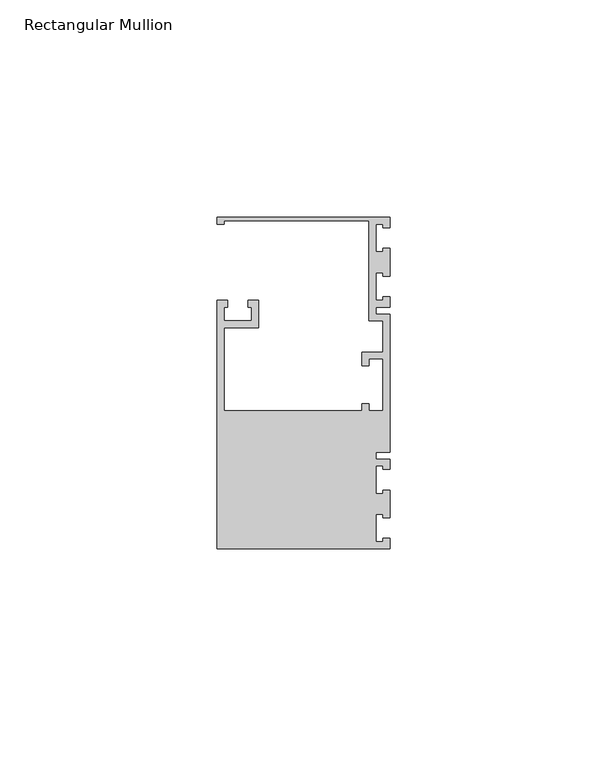
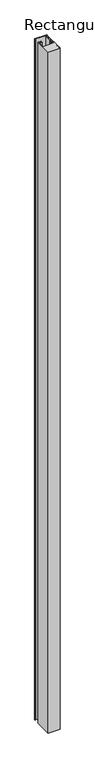
"""IFC4 building model written with IfcOpenShell, lengths in millimetres: member geometry, Rectangular Mullion."""

import ifcopenshell
import ifcopenshell.guid

model = None  # the IFC model being written
_history = None  # IfcOwnerHistory: only IFC2X3 demands one
_inside = {}  # id of a spatial element -> (the spatial element, [elements in it])
_under = {}  # id of a project, library or spatial element -> (it, [spatial elements below it])
_declared = {}  # id of a project -> (the project, [libraries it declares])
_typed = {}  # id of a type object -> (the type object, [elements of that type])
_made_of = {}  # id of a material, layer set ... -> (it, [elements and type objects made of it])


def new_model(schema):
    """Start an empty IFC model of exactly this schema.

    Asked for "IFC4X3", IfcOpenShell would pick the latest addendum, in which some entities
    have other attributes; the version numbers below select the first issue.
    IFC2X3 requires an IfcOwnerHistory on every rooted entity: one is made here for all.
    """
    global model, _history
    if schema == "IFC4X3":
        model = ifcopenshell.file(schema_version=(4, 3, 0, 0))
    else:
        model = ifcopenshell.file(schema=schema)
    _inside.clear()
    _under.clear()
    _declared.clear()
    _typed.clear()
    _made_of.clear()
    _history = None
    if model.schema == "IFC2X3":
        org = make("IfcOrganization", Name="unknown")
        user = make(
            "IfcPersonAndOrganization",
            ThePerson=make("IfcPerson", FamilyName="unknown"),
            TheOrganization=org,
        )
        app = make(
            "IfcApplication",
            ApplicationDeveloper=org,
            Version="unknown",
            ApplicationFullName="unknown",
            ApplicationIdentifier="unknown",
        )
        _history = make(
            "IfcOwnerHistory",
            OwningUser=user,
            OwningApplication=app,
            ChangeAction="ADDED",
            CreationDate=0,
        )
    return model


def make(cls, **values):
    """One entity of the class cls with the attributes given. An attribute that is None is left unset."""
    return model.create_entity(
        cls, **{name: value for name, value in values.items() if value is not None}
    )


def rooted(cls, **values):
    """An entity with a GlobalId (a new one), such as an element, a storey or a relation."""
    return make(cls, GlobalId=ifcopenshell.guid.new(), OwnerHistory=_history, **values)


def si_unit(unit_type, name, prefix=None):
    """IfcSIUnit, for example si_unit("LENGTHUNIT", "METRE", prefix="MILLI")."""
    return make("IfcSIUnit", UnitType=unit_type, Prefix=prefix, Name=name)


def assignment(units):
    """IfcUnitAssignment: the units of a project."""
    return None if units is None else make("IfcUnitAssignment", Units=units)


def point(xyz):
    """IfcCartesianPoint."""
    return None if xyz is None else make("IfcCartesianPoint", Coordinates=xyz)


def direction(xyz):
    """IfcDirection."""
    return None if xyz is None else make("IfcDirection", DirectionRatios=xyz)


def frame(location, z_axis=None, x_axis=None):
    """IfcAxis2Placement3D, a coordinate frame: its origin and axes. An axis left out is left unset."""
    return make(
        "IfcAxis2Placement3D",
        Location=point(location),
        Axis=direction(z_axis),
        RefDirection=direction(x_axis),
    )


def origin():
    """The frame at (0, 0, 0) with its axes left unset."""
    return frame((0.0, 0.0, 0.0))


def place(relative_to, where):
    """IfcLocalPlacement: puts the frame where relative to a parent placement (None: the world)."""
    return make(
        "IfcLocalPlacement", PlacementRelTo=relative_to, RelativePlacement=where
    )


def context(
    kind, dimensions, precision=None, world=None, true_north=None, identifier=None
):
    """IfcGeometricRepresentationContext, for example the 3D "Model" context."""
    return make(
        "IfcGeometricRepresentationContext",
        ContextIdentifier=identifier,
        ContextType=kind,
        CoordinateSpaceDimension=dimensions,
        Precision=precision,
        WorldCoordinateSystem=world,
        TrueNorth=true_north,
    )


def project(units=None, contexts=None):
    """IfcProject with its units and contexts."""
    return rooted(
        "IfcProject",
        Name="project",
        RepresentationContexts=contexts,
        UnitsInContext=assignment(units),
    )


def spatial(cls, under=None, at=None, **own):
    """A site, building, storey or space (cls), placed at a placement, below another one or the project."""
    s = rooted(cls, ObjectPlacement=at, **own)
    if under is not None:
        _under.setdefault(under.id(), (under, []))[1].append(s)
    return s


def polyline(points):
    """IfcPolyline through the points."""
    return make("IfcPolyline", Points=[point(p) for p in points])


def outline(outer, holes=None, kind="AREA"):
    """IfcArbitraryClosedProfileDef: a profile drawn as a closed curve; with holes, ...WithVoids."""
    if holes is None:
        return make("IfcArbitraryClosedProfileDef", ProfileType=kind, OuterCurve=outer)
    return make(
        "IfcArbitraryProfileDefWithVoids",
        ProfileType=kind,
        OuterCurve=outer,
        InnerCurves=holes,
    )


def extrude(swept, where, along, depth):
    """IfcExtrudedAreaSolid: the profile swept, set in the frame where, extruded along a direction by depth."""
    return make(
        "IfcExtrudedAreaSolid",
        SweptArea=swept,
        Position=where,
        ExtrudedDirection=direction(along),
        Depth=depth,
    )


def shape(context_of_items, identifier, shape_type, items):
    """IfcShapeRepresentation: the items that make up one representation, for example the "Body"."""
    return make(
        "IfcShapeRepresentation",
        ContextOfItems=context_of_items,
        RepresentationIdentifier=identifier,
        RepresentationType=shape_type,
        Items=items,
    )


def source(mapping_origin, context_of_items, identifier, shape_type, items):
    """IfcRepresentationMap: a shape defined once, which mapped items show again and again."""
    return make(
        "IfcRepresentationMap",
        MappingOrigin=mapping_origin,
        MappedRepresentation=shape(context_of_items, identifier, shape_type, items),
    )


def transform(
    local_origin,
    x_axis=None,
    y_axis=None,
    z_axis=None,
    scale=None,
    scale2=None,
    scale3=None,
    uniform=True,
):
    """IfcCartesianTransformationOperator3D, or its non-uniform kind. x_axis, y_axis, z_axis: its Axis1, 2, 3."""
    if uniform:
        return make(
            "IfcCartesianTransformationOperator3D",
            Axis1=direction(x_axis),
            Axis2=direction(y_axis),
            LocalOrigin=point(local_origin),
            Scale=scale,
            Axis3=direction(z_axis),
        )
    return make(
        "IfcCartesianTransformationOperator3DnonUniform",
        Axis1=direction(x_axis),
        Axis2=direction(y_axis),
        LocalOrigin=point(local_origin),
        Scale=scale,
        Axis3=direction(z_axis),
        Scale2=scale2,
        Scale3=scale3,
    )


def mapped(mapping_source, mapping_target):
    """IfcMappedItem: shows the shape of a source again, moved by a transform."""
    return make(
        "IfcMappedItem", MappingSource=mapping_source, MappingTarget=mapping_target
    )


def made_of(thing, what):
    """Note that an element or type object is made of a material, layer set ...; save() writes the relation."""
    if what is not None:
        _made_of.setdefault(what.id(), (what, []))[1].append(thing)
    return thing


def element(
    cls,
    number,
    at=None,
    inside=None,
    cuts=None,
    type_object=None,
    material=None,
    context=None,
    identifier="Body",
    shape_type=None,
    held_by="IfcProductDefinitionShape",
    body=None,
    shapes=None,
    **own,
):
    """One element of the class cls, such as IfcWall. Its Tag is "e" and its number.

    at: its placement. inside: the storey or other place that contains it. cuts: it is an
    opening in that element (IfcRelVoidsElement). A single representation is given by context,
    identifier, shape_type and body (its items); several are given by shapes. held_by: the class
    of the entity that holds the representations. save() writes the other relations.
    """
    e = rooted(cls, Tag="e%d" % number, ObjectPlacement=at, **own)
    if body is not None:
        shapes = [shape(context, identifier, shape_type, body)]
    if shapes is not None:
        e.Representation = make(held_by, Representations=shapes)
    if inside is not None:
        _inside.setdefault(inside.id(), (inside, []))[1].append(e)
    if cuts is not None:
        rooted(
            "IfcRelVoidsElement", RelatingBuildingElement=cuts, RelatedOpeningElement=e
        )
    if type_object is not None:
        _typed.setdefault(type_object.id(), (type_object, []))[1].append(e)
    return made_of(e, material)


def aggregate(whole, parts):
    """IfcRelAggregates: a whole, such as a stair, and the parts it consists of."""
    return rooted("IfcRelAggregates", RelatingObject=whole, RelatedObjects=parts)


def save(model, path):
    """Write the relations noted so far, then the file.

    IfcRelAggregates (storeys below a building ...), IfcRelContainedInSpatialStructure (elements
    in a storey), IfcRelDefinesByType, IfcRelAssociatesMaterial and IfcRelDeclares: one each for
    every whole, place, type object, material and project.
    """
    for whole, parts in _under.values():
        aggregate(whole, parts)
    for where, things in _inside.values():
        rooted(
            "IfcRelContainedInSpatialStructure",
            RelatedElements=things,
            RelatingStructure=where,
        )
    for kind, things in _typed.values():
        rooted("IfcRelDefinesByType", RelatedObjects=things, RelatingType=kind)
    for what, things in _made_of.values():
        rooted("IfcRelAssociatesMaterial", RelatedObjects=things, RelatingMaterial=what)
    for by, libraries in _declared.values():
        rooted("IfcRelDeclares", RelatingContext=by, RelatedDefinitions=libraries)
    model.write(path)


def rectangular_mullion_f1c2783c(model_context):
    return source(origin(), model_context, "Body", "SweptSolid", [
        extrude(outline(polyline([(0.0, 38.1), (0.0, 35.71875), (-1.4999946, 35.71875), (-1.4999946, 36.5125), (-3.175, 36.5125), (-3.175, 30.1625), (-1.4999946, 30.1625), (-1.4999946, 30.95625), (0.0, 30.95625), (0.0, 24.60625), (-1.4999946, 24.60625), (-1.4999946, 25.4), (-3.175, 25.4), (-3.175, 19.05), (-1.4999946, 19.05), (-1.4999946, 19.84375), (0.0, 19.84375), (0.0, 17.4625), (-3.175, 17.4625), (-3.175, 15.875), (0.0, 15.875), (0.0, -15.875), (-3.175, -15.875), (-3.175, -17.4625), (0.0, -17.4625), (0.0, -19.84375), (-1.4999946, -19.84375), (-1.4999946, -19.05), (-3.175, -19.05), (-3.175, -25.4), (-1.4999946, -25.4), (-1.4999946, -24.60625), (0.0, -24.60625), (0.0, -30.95625), (-1.4999946, -30.95625), (-1.4999946, -30.1625), (-3.175, -30.1625), (-3.175, -36.5125), (-1.4999946, -36.5125), (-1.4999946, -35.71875), (0.0, -35.71875), (0.0, -38.1), (-39.6875, -38.1), (-39.6875, 19.05), (-37.30625, 19.05), (-37.30625, 17.4625), (-38.1, 17.4625), (-38.1, 14.2875), (-31.75, 14.2875), (-31.75, 17.4625), (-32.54375, 17.4625), (-32.54375, 19.05), (-30.1625, 19.05), (-30.1625, 12.7), (-38.1, 12.7), (-38.1, -6.35), (-6.35, -6.35), (-6.35, -4.7625), (-4.7625, -4.7625), (-4.7625, -6.35), (-1.5875, -6.35), (-1.5875, 5.55625), (-4.7625, 5.55625), (-4.7625, 3.96875), (-6.35, 3.96875), (-6.35, 7.14375), (-1.5875, 7.14375), (-1.5875, 14.2875), (-4.7625, 14.2875), (-4.7625, 37.30625), (-38.1, 37.30625), (-38.1, 36.5125), (-39.6875, 36.5125), (-39.6875, 38.1), (0.0, 38.1)])), frame((0.0, 0.0, -2359.025), z_axis=(0.0, 0.0, 1.0), x_axis=(1.0, 0.0, 0.0)), (0.0, 0.0, 1.0), 2359.025),
    ])


if __name__ == "__main__":
    model = new_model("IFC4")
    model_context = context("Model", 3, world=origin())
    ifc_project = project(units=[si_unit("LENGTHUNIT", "METRE", prefix="MILLI")], contexts=[model_context])
    site = spatial("IfcSite", under=ifc_project)
    building = spatial("IfcBuilding", under=site)
    placement = place(None, origin())
    rectangular_mullion_shape = rectangular_mullion_f1c2783c(model_context)
    element("IfcMember", 1, ObjectType="Rectangular Mullion", at=placement, inside=building, context=model_context, shape_type="MappedRepresentation", body=[
        mapped(rectangular_mullion_shape, transform((0.0, 0.0, 0.0), x_axis=(1.0, 0.0, 0.0), y_axis=(0.0, 1.0, 0.0), z_axis=(0.0, 0.0, 1.0))),
    ])
    save(model, "model.ifc")
